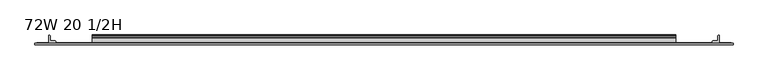
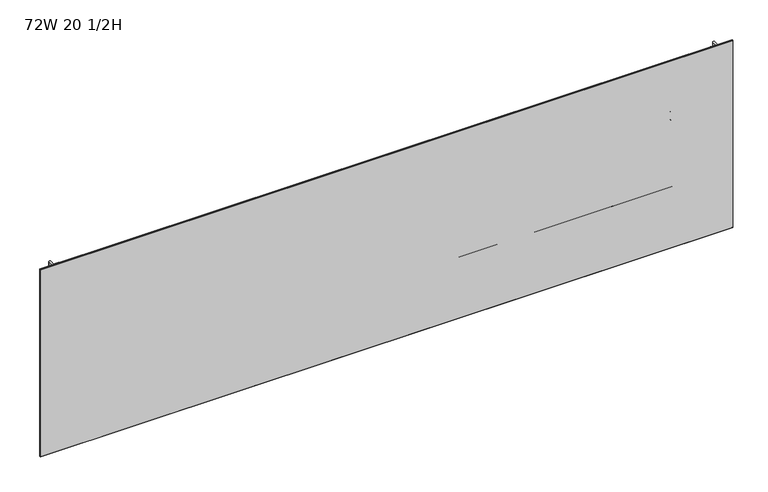
"""IFC4 building model written with IfcOpenShell, lengths in millimetres: furniture geometry, 72W 20 1/2H."""

from ifc_helpers import new_model, si_unit, point, frame, frame_2d, origin, place, context, project, spatial, polyline, circle_curve, trimmed, segment, composite_curve, outline, extrude, faceted_brep, source, transform, mapped, element, save


def furniture_72w_20_1_2h_de145b12(model_context):
    return source(origin(), model_context, "Body", "SolidModel", [
        extrude(outline(composite_curve([segment(trimmed(circle_curve(frame_2d((-4.6789199, 704.6775441)), 0.5534801), [point((-5.2324, 704.6775441))], [point((-4.6789199, 705.2310242))], False, "CARTESIAN"), True, "CONTINUOUS"), segment(polyline([(-4.6789199, 705.2310242), (-2.6016657, 705.2310242)]), True, "CONTINUOUS"), segment(trimmed(circle_curve(frame_2d((-2.6016657, 705.7752899)), 0.5442657), [point((-2.6016657, 705.2310242))], [point((-2.0574001, 705.7752899))], True, "CARTESIAN"), True, "CONTINUOUS"), segment(polyline([(-2.0574001, 705.7752899), (-2.0574001, 728.0910388)]), True, "CONTINUOUS"), segment(trimmed(circle_curve(frame_2d((0.6637885, 727.9096521)), 2.7272272), [point((-2.0574001, 728.0910388))], [point((1.1176, 730.598857))], False, "CARTESIAN"), True, "CONTINUOUS"), segment(polyline([(1.1176, 730.598857), (1.1176, 699.4842533)]), True, "CONTINUOUS"), segment(trimmed(circle_curve(frame_2d((0.5143951, 699.4842533)), 0.6032049), [point((1.1176, 699.4842533))], [point((0.5143951, 698.8810484))], False, "CARTESIAN"), True, "CONTINUOUS"), segment(polyline([(0.5143951, 698.8810484), (-1.4921701, 698.8810484)]), True, "CONTINUOUS"), segment(trimmed(circle_curve(frame_2d((-1.4921701, 698.3158185)), 0.5652299), [point((-1.4921701, 698.8810484))], [point((-2.0574001, 698.3158185))], True, "CARTESIAN"), True, "CONTINUOUS"), segment(polyline([(-2.0574001, 698.3158185), (-2.0574001, 685.5460339), (-2.3976956, 684.2759806), (-3.3274001, 683.3463135), (-4.5338691, 683.023024)]), True, "CONTINUOUS"), segment(trimmed(circle_curve(frame_2d((-4.677496, 683.5590182)), 0.554904), [point((-4.5338691, 683.023024))], [point((-5.2324, 683.5590182))], False, "CARTESIAN"), True, "CONTINUOUS"), segment(polyline([(-5.2324, 683.5590182), (-5.2324, 704.6775441)]), True, "CONTINUOUS")], self_intersect=False)), frame((152.4, 0.0, 0.0), z_axis=(1.0, 0.0, 0.0), x_axis=(0.0, 1.0, 0.0)), (0.0, 0.0, 1.0), 1524.0),
        extrude(outline(composite_curve([segment(polyline([(-7.1373999, 651.2560484), (-19.4564001, 651.2560484), (-19.4564001, 683.006), (-2.7946089, 683.006)]), True, "CONTINUOUS"), segment(trimmed(circle_curve(frame_2d((-2.7946089, 683.7432088)), 0.7372088), [point((-2.7946089, 683.006))], [point((-2.0574001, 683.7432088))], True, "CARTESIAN"), True, "CONTINUOUS"), segment(polyline([(-2.0574001, 683.7432088), (-2.0574001, 693.4188871)]), True, "CONTINUOUS"), segment(trimmed(circle_curve(frame_2d((0.2069874, 693.4188871)), 2.2643874), [point((-2.0574001, 693.4188871))], [point((-1.8183367, 694.4315632))], False, "CARTESIAN"), True, "CONTINUOUS"), segment(polyline([(-1.8183367, 694.4315632), (-0.1003385, 697.8675121)]), True, "CONTINUOUS"), segment(trimmed(circle_curve(frame_2d((0.4746932, 697.5799922)), 0.6429068), [point((-0.1003385, 697.8675121))], [point((1.1176, 697.5799922))], False, "CARTESIAN"), True, "CONTINUOUS"), segment(polyline([(1.1176, 697.5799922), (1.1176, 679.2238533)]), True, "CONTINUOUS"), segment(trimmed(circle_curve(frame_2d((0.4039455, 679.2238533)), 0.7136544), [point((1.1176, 679.2238533))], [point((0.4039455, 678.5101988))], False, "CARTESIAN"), True, "CONTINUOUS"), segment(polyline([(0.4039455, 678.5101988), (-1.4969277, 678.5101988)]), True, "CONTINUOUS"), segment(trimmed(circle_curve(frame_2d((-1.4969277, 677.9497265)), 0.5604724), [point((-1.4969277, 678.5101988))], [point((-2.0574001, 677.9497265))], True, "CARTESIAN"), True, "CONTINUOUS"), segment(polyline([(-2.0574001, 677.9497265), (-2.0574001, 656.3360436), (-2.7379909, 653.7960097), (-4.5974, 651.9366028), (-7.1373999, 651.2560484)]), True, "CONTINUOUS")], self_intersect=False), holes=[composite_curve([segment(polyline([(-13.0222745, 653.7960097), (-7.2745438, 653.7960097)]), True, "CONTINUOUS"), segment(trimmed(circle_curve(frame_2d((-7.2745438, 656.4731535)), 2.6771438), [point((-7.2745438, 653.7960097))], [point((-4.5974, 656.4731535))], True, "CARTESIAN"), True, "CONTINUOUS"), segment(polyline([(-4.5974, 656.4731535), (-4.5974, 677.6415735)]), True, "CONTINUOUS"), segment(trimmed(circle_curve(frame_2d((-7.4218653, 677.6415735)), 2.8244652), [point((-4.5974, 677.6415735))], [point((-7.4218653, 680.4660388))], True, "CARTESIAN"), True, "CONTINUOUS"), segment(polyline([(-7.4218653, 680.4660388), (-13.189345, 680.4660388)]), True, "CONTINUOUS"), segment(trimmed(circle_curve(frame_2d((-13.189345, 677.8819835)), 2.5840552), [point((-13.189345, 680.4660388))], [point((-15.7734002, 677.8819835))], True, "CARTESIAN"), True, "CONTINUOUS"), segment(polyline([(-15.7734002, 677.8819835), (-15.7734002, 656.5471354)]), True, "CONTINUOUS"), segment(trimmed(circle_curve(frame_2d((-13.0222745, 656.5471354)), 2.7511257), [point((-15.7734002, 656.5471354))], [point((-13.0222745, 653.7960097))], True, "CARTESIAN"), True, "CONTINUOUS")], self_intersect=False)]), frame((152.4, 0.0, 0.0), z_axis=(1.0, 0.0, 0.0), x_axis=(0.0, 1.0, 0.0)), (0.0, 0.0, 1.0), 1524.0),
        extrude(outline(composite_curve([segment(polyline([(-5.2324, 865.8172044), (-5.2324, 886.9357302)]), True, "CONTINUOUS"), segment(trimmed(circle_curve(frame_2d((-4.677496, 886.9357302)), 0.554904), [point((-5.2324, 886.9357302))], [point((-4.5338691, 887.4717245))], False, "CARTESIAN"), True, "CONTINUOUS"), segment(polyline([(-4.5338691, 887.4717245), (-3.3274001, 887.1484349), (-2.3976956, 886.2187678), (-2.0574001, 884.9487145), (-2.0574001, 872.1789299)]), True, "CONTINUOUS"), segment(trimmed(circle_curve(frame_2d((-1.4921701, 872.1789299)), 0.5652299), [point((-2.0574001, 872.1789299))], [point((-1.4921701, 871.6137))], True, "CARTESIAN"), True, "CONTINUOUS"), segment(polyline([(-1.4921701, 871.6137), (0.5143951, 871.6137)]), True, "CONTINUOUS"), segment(trimmed(circle_curve(frame_2d((0.5143951, 871.0104951)), 0.6032049), [point((0.5143951, 871.6137))], [point((1.1176, 871.0104951))], False, "CARTESIAN"), True, "CONTINUOUS"), segment(polyline([(1.1176, 871.0104951), (1.1176, 839.8958914)]), True, "CONTINUOUS"), segment(trimmed(circle_curve(frame_2d((0.6637885, 842.5850964)), 2.7272272), [point((1.1176, 839.8958914))], [point((-2.0574001, 842.4037097))], False, "CARTESIAN"), True, "CONTINUOUS"), segment(polyline([(-2.0574001, 842.4037097), (-2.0574001, 864.7194586)]), True, "CONTINUOUS"), segment(trimmed(circle_curve(frame_2d((-2.6016657, 864.7194586)), 0.5442657), [point((-2.0574001, 864.7194586))], [point((-2.6016657, 865.2637242))], True, "CARTESIAN"), True, "CONTINUOUS"), segment(polyline([(-2.6016657, 865.2637242), (-4.6789199, 865.2637242)]), True, "CONTINUOUS"), segment(trimmed(circle_curve(frame_2d((-4.6789199, 865.8172044)), 0.5534801), [point((-4.6789199, 865.2637242))], [point((-5.2324, 865.8172044))], False, "CARTESIAN"), True, "CONTINUOUS")], self_intersect=False)), frame((152.4, 0.0, 0.0), z_axis=(1.0, 0.0, 0.0), x_axis=(0.0, 1.0, 0.0)), (0.0, 0.0, 1.0), 1524.0),
        extrude(outline(composite_curve([segment(polyline([(-7.1373999, 919.2387), (-4.5974, 918.5581456), (-2.7379909, 916.6987388), (-2.0574001, 914.1587048), (-2.0574001, 892.545022)]), True, "CONTINUOUS"), segment(trimmed(circle_curve(frame_2d((-1.4969277, 892.545022)), 0.5604724), [point((-2.0574001, 892.545022))], [point((-1.4969277, 891.9845496))], True, "CARTESIAN"), True, "CONTINUOUS"), segment(polyline([(-1.4969277, 891.9845496), (0.4039455, 891.9845496)]), True, "CONTINUOUS"), segment(trimmed(circle_curve(frame_2d((0.4039455, 891.2708952)), 0.7136544), [point((0.4039455, 891.9845496))], [point((1.1176, 891.2708952))], False, "CARTESIAN"), True, "CONTINUOUS"), segment(polyline([(1.1176, 891.2708952), (1.1176, 872.9147562)]), True, "CONTINUOUS"), segment(trimmed(circle_curve(frame_2d((0.4746932, 872.9147562)), 0.6429068), [point((1.1176, 872.9147562))], [point((-0.1003385, 872.6272364))], False, "CARTESIAN"), True, "CONTINUOUS"), segment(polyline([(-0.1003385, 872.6272364), (-1.8183367, 876.0631852)]), True, "CONTINUOUS"), segment(trimmed(circle_curve(frame_2d((0.2069874, 877.0758613)), 2.2643874), [point((-1.8183367, 876.0631852))], [point((-2.0574001, 877.0758613))], False, "CARTESIAN"), True, "CONTINUOUS"), segment(polyline([(-2.0574001, 877.0758613), (-2.0574001, 886.7515396)]), True, "CONTINUOUS"), segment(trimmed(circle_curve(frame_2d((-2.7946089, 886.7515396)), 0.7372088), [point((-2.0574001, 886.7515396))], [point((-2.7946089, 887.4887484))], True, "CARTESIAN"), True, "CONTINUOUS"), segment(polyline([(-2.7946089, 887.4887484), (-19.4564001, 887.4887484), (-19.4564001, 919.2387), (-7.1373999, 919.2387)]), True, "CONTINUOUS")], self_intersect=False), holes=[composite_curve([segment(trimmed(circle_curve(frame_2d((-13.0222745, 913.947613)), 2.7511257), [point((-13.0222745, 916.6987388))], [point((-15.7734002, 913.947613))], True, "CARTESIAN"), True, "CONTINUOUS"), segment(polyline([(-15.7734002, 913.947613), (-15.7734002, 892.6127649)]), True, "CONTINUOUS"), segment(trimmed(circle_curve(frame_2d((-13.189345, 892.6127649)), 2.5840552), [point((-15.7734002, 892.6127649))], [point((-13.189345, 890.0287097))], True, "CARTESIAN"), True, "CONTINUOUS"), segment(polyline([(-13.189345, 890.0287097), (-7.4218653, 890.0287097)]), True, "CONTINUOUS"), segment(trimmed(circle_curve(frame_2d((-7.4218653, 892.8531749)), 2.8244652), [point((-7.4218653, 890.0287097))], [point((-4.5974, 892.8531749))], True, "CARTESIAN"), True, "CONTINUOUS"), segment(polyline([(-4.5974, 892.8531749), (-4.5974, 914.021595)]), True, "CONTINUOUS"), segment(trimmed(circle_curve(frame_2d((-7.2745438, 914.021595)), 2.6771438), [point((-4.5974, 914.021595))], [point((-7.2745438, 916.6987388))], True, "CARTESIAN"), True, "CONTINUOUS"), segment(polyline([(-7.2745438, 916.6987388), (-13.0222745, 916.6987388)]), True, "CONTINUOUS")], self_intersect=False)]), frame((152.4, 0.0, 0.0), z_axis=(1.0, 0.0, 0.0), x_axis=(0.0, 1.0, 0.0)), (0.0, 0.0, 1.0), 1524.0),
        extrude(outline(composite_curve([segment(trimmed(circle_curve(frame_2d((1790.1524764, -18.9088765)), 0.5475236), [point((1790.7, -18.9088765))], [point((1790.1524764, -19.4564001))], False, "CARTESIAN"), True, "CONTINUOUS"), segment(polyline([(1790.1524764, -19.4564001), (1772.2113866, -19.4564001)]), True, "CONTINUOUS"), segment(trimmed(circle_curve(frame_2d((1772.2113866, -18.8950135)), 0.5613866), [point((1772.2113866, -19.4564001))], [point((1771.65, -18.8950135))], False, "CARTESIAN"), True, "CONTINUOUS"), segment(polyline([(1771.65, -18.8950135), (1771.65, -16.8669745)]), True, "CONTINUOUS"), segment(trimmed(circle_curve(frame_2d((1774.2294745, -16.8669745)), 2.5794745), [point((1771.65, -16.8669745))], [point((1774.2294745, -14.2875))], False, "CARTESIAN"), True, "CONTINUOUS"), segment(polyline([(1774.2294745, -14.2875), (1785.2787912, -14.2875)]), True, "CONTINUOUS"), segment(trimmed(circle_curve(frame_2d((1785.2787912, -13.6414903)), 0.6460097), [point((1785.2787912, -14.2875))], [point((1785.9248009, -13.6414903))], True, "CARTESIAN"), True, "CONTINUOUS"), segment(polyline([(1785.9248009, -13.6414903), (1785.9248009, -2.768893)]), True, "CONTINUOUS"), segment(trimmed(circle_curve(frame_2d((1788.6936939, -2.768893)), 2.768893), [point((1785.9248009, -2.768893))], [point((1788.6936939, 0.0))], False, "CARTESIAN"), True, "CONTINUOUS"), segment(polyline([(1788.6936939, 0.0), (1790.1082199, 0.0)]), True, "CONTINUOUS"), segment(trimmed(circle_curve(frame_2d((1790.1082199, -0.5917801)), 0.5917801), [point((1790.1082199, 0.0))], [point((1790.7, -0.5917801))], False, "CARTESIAN"), True, "CONTINUOUS"), segment(polyline([(1790.7, -0.5917801), (1790.7, -18.9088765)]), True, "CONTINUOUS")], self_intersect=False)), frame((0.0, 0.0, 528.8788), z_axis=(0.0, 0.0, 1.0), x_axis=(1.0, 0.0, 0.0)), (0.0, 0.0, 1.0), 512.7625),
        extrude(outline(composite_curve([segment(polyline([(38.1, -18.9088765), (38.1, -0.5917801)]), True, "CONTINUOUS"), segment(trimmed(circle_curve(frame_2d((38.6917801, -0.5917801)), 0.5917801), [point((38.1, -0.5917801))], [point((38.6917801, 0.0))], False, "CARTESIAN"), True, "CONTINUOUS"), segment(polyline([(38.6917801, 0.0), (40.1063061, 0.0)]), True, "CONTINUOUS"), segment(trimmed(circle_curve(frame_2d((40.1063061, -2.768893)), 2.768893), [point((40.1063061, 0.0))], [point((42.8751991, -2.768893))], False, "CARTESIAN"), True, "CONTINUOUS"), segment(polyline([(42.8751991, -2.768893), (42.8751991, -13.6414903)]), True, "CONTINUOUS"), segment(trimmed(circle_curve(frame_2d((43.5212088, -13.6414903)), 0.6460097), [point((42.8751991, -13.6414903))], [point((43.5212088, -14.2875))], True, "CARTESIAN"), True, "CONTINUOUS"), segment(polyline([(43.5212088, -14.2875), (54.5705255, -14.2875)]), True, "CONTINUOUS"), segment(trimmed(circle_curve(frame_2d((54.5705255, -16.8669745)), 2.5794745), [point((54.5705255, -14.2875))], [point((57.15, -16.8669745))], False, "CARTESIAN"), True, "CONTINUOUS"), segment(polyline([(57.15, -16.8669745), (57.15, -18.8950135)]), True, "CONTINUOUS"), segment(trimmed(circle_curve(frame_2d((56.5886134, -18.8950135)), 0.5613866), [point((57.15, -18.8950135))], [point((56.5886134, -19.4564001))], False, "CARTESIAN"), True, "CONTINUOUS"), segment(polyline([(56.5886134, -19.4564001), (38.6475236, -19.4564001)]), True, "CONTINUOUS"), segment(trimmed(circle_curve(frame_2d((38.6475236, -18.9088765)), 0.5475236), [point((38.6475236, -19.4564001))], [point((38.1, -18.9088765))], False, "CARTESIAN"), True, "CONTINUOUS")], self_intersect=False)), frame((0.0, 0.0, 528.8788), z_axis=(0.0, 0.0, 1.0), x_axis=(1.0, 0.0, 0.0)), (0.0, 0.0, 1.0), 512.7625),
        extrude(outline(polyline([(1821.4975002, -20.0634601), (7.3024998, -20.0634601), (7.3024998, -19.4564001), (1821.4975002, -19.4564001), (1821.4975002, -20.0634601)])), frame((0.0, 0.0, 528.8788), z_axis=(0.0, 0.0, 1.0), x_axis=(1.0, 0.0, 0.0)), (0.0, 0.0, 1.0), 512.7625),
        faceted_brep([(1826.2600024, -24.0512595, 1046.4038), (1826.2600024, -20.8508598, 1046.4038), (2.5400001, -20.8508598, 1046.4038), (2.5400001, -24.0512595, 1046.4038), (2.5400001, -24.0512595, 524.1036), (2.5400001, -20.8508598, 524.1036), (1826.2600024, -20.8508598, 524.1036), (1826.2600024, -24.0512595, 524.1036), (3.3274521, -24.8386592, 1045.6163481), (3.3274521, -24.8386592, 524.8910519), (1825.4725505, -24.8386592, 524.8910519), (1825.4725505, -24.8386592, 1045.6163481), (3.3274521, -20.0634601, 524.8910519), (3.3274521, -20.0634601, 1045.6163481), (1825.4725505, -20.0634601, 1045.6163481), (1825.4725505, -20.0634601, 524.8910519)], [[[0, 1, 2, 3]], [[4, 5, 6, 7]], [[8, 9, 10, 11]], [[1, 0, 7, 6]], [[12, 13, 14, 15]], [[3, 2, 5, 4]], [[12, 5, 2, 13]], [[4, 9, 8, 3]], [[5, 12, 15, 6]], [[9, 4, 7, 10]], [[6, 15, 14, 1]], [[10, 7, 0, 11]], [[13, 2, 1, 14]], [[3, 8, 11, 0]]]),
    ])


if __name__ == "__main__":
    model = new_model("IFC4")
    model_context = context("Model", 3, world=origin())
    ifc_project = project(units=[si_unit("LENGTHUNIT", "METRE", prefix="MILLI")], contexts=[model_context])
    site = spatial("IfcSite", under=ifc_project)
    building = spatial("IfcBuilding", under=site)
    placement = place(None, origin())
    furniture_72w_20_1_2h_shape = furniture_72w_20_1_2h_de145b12(model_context)
    element("IfcFurniture", 1, ObjectType="72W 20 1/2H", at=placement, inside=building, context=model_context, shape_type="MappedRepresentation", body=[
        mapped(furniture_72w_20_1_2h_shape, transform((0.0, 0.0, 0.0), x_axis=(1.0, 0.0, 0.0), y_axis=(0.0, 1.0, 0.0), z_axis=(0.0, 0.0, 1.0))),
    ])
    save(model, "model.ifc")
